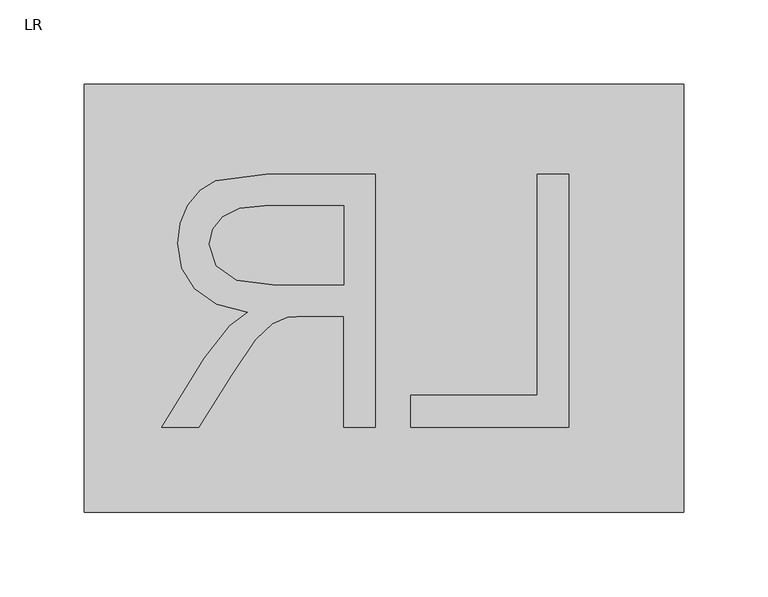
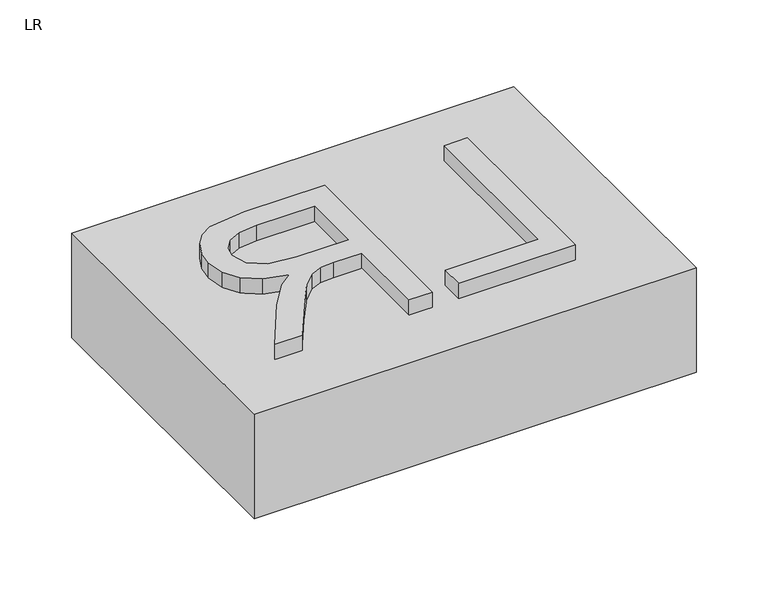
"""IFC4 building model written with IfcOpenShell, lengths in millimetres: switching device geometry, LR."""

import ifcopenshell
import ifcopenshell.guid

model = None  # the IFC model being written
_history = None  # IfcOwnerHistory: only IFC2X3 demands one
_inside = {}  # id of a spatial element -> (the spatial element, [elements in it])
_under = {}  # id of a project, library or spatial element -> (it, [spatial elements below it])
_declared = {}  # id of a project -> (the project, [libraries it declares])
_typed = {}  # id of a type object -> (the type object, [elements of that type])
_made_of = {}  # id of a material, layer set ... -> (it, [elements and type objects made of it])


def new_model(schema):
    """Start an empty IFC model of exactly this schema.

    Asked for "IFC4X3", IfcOpenShell would pick the latest addendum, in which some entities
    have other attributes; the version numbers below select the first issue.
    IFC2X3 requires an IfcOwnerHistory on every rooted entity: one is made here for all.
    """
    global model, _history
    if schema == "IFC4X3":
        model = ifcopenshell.file(schema_version=(4, 3, 0, 0))
    else:
        model = ifcopenshell.file(schema=schema)
    _inside.clear()
    _under.clear()
    _declared.clear()
    _typed.clear()
    _made_of.clear()
    _history = None
    if model.schema == "IFC2X3":
        org = make("IfcOrganization", Name="unknown")
        user = make(
            "IfcPersonAndOrganization",
            ThePerson=make("IfcPerson", FamilyName="unknown"),
            TheOrganization=org,
        )
        app = make(
            "IfcApplication",
            ApplicationDeveloper=org,
            Version="unknown",
            ApplicationFullName="unknown",
            ApplicationIdentifier="unknown",
        )
        _history = make(
            "IfcOwnerHistory",
            OwningUser=user,
            OwningApplication=app,
            ChangeAction="ADDED",
            CreationDate=0,
        )
    return model


def make(cls, **values):
    """One entity of the class cls with the attributes given. An attribute that is None is left unset."""
    return model.create_entity(
        cls, **{name: value for name, value in values.items() if value is not None}
    )


def rooted(cls, **values):
    """An entity with a GlobalId (a new one), such as an element, a storey or a relation."""
    return make(cls, GlobalId=ifcopenshell.guid.new(), OwnerHistory=_history, **values)


def si_unit(unit_type, name, prefix=None):
    """IfcSIUnit, for example si_unit("LENGTHUNIT", "METRE", prefix="MILLI")."""
    return make("IfcSIUnit", UnitType=unit_type, Prefix=prefix, Name=name)


def assignment(units):
    """IfcUnitAssignment: the units of a project."""
    return None if units is None else make("IfcUnitAssignment", Units=units)


def point(xyz):
    """IfcCartesianPoint."""
    return None if xyz is None else make("IfcCartesianPoint", Coordinates=xyz)


def direction(xyz):
    """IfcDirection."""
    return None if xyz is None else make("IfcDirection", DirectionRatios=xyz)


def frame(location, z_axis=None, x_axis=None):
    """IfcAxis2Placement3D, a coordinate frame: its origin and axes. An axis left out is left unset."""
    return make(
        "IfcAxis2Placement3D",
        Location=point(location),
        Axis=direction(z_axis),
        RefDirection=direction(x_axis),
    )


def origin():
    """The frame at (0, 0, 0) with its axes left unset."""
    return frame((0.0, 0.0, 0.0))


def origin_with_axes():
    """The frame at (0, 0, 0) with the z axis (0, 0, 1) and the x axis (1, 0, 0) written out."""
    return frame((0.0, 0.0, 0.0), z_axis=(0.0, 0.0, 1.0), x_axis=(1.0, 0.0, 0.0))


def place(relative_to, where):
    """IfcLocalPlacement: puts the frame where relative to a parent placement (None: the world)."""
    return make(
        "IfcLocalPlacement", PlacementRelTo=relative_to, RelativePlacement=where
    )


def context(
    kind, dimensions, precision=None, world=None, true_north=None, identifier=None
):
    """IfcGeometricRepresentationContext, for example the 3D "Model" context."""
    return make(
        "IfcGeometricRepresentationContext",
        ContextIdentifier=identifier,
        ContextType=kind,
        CoordinateSpaceDimension=dimensions,
        Precision=precision,
        WorldCoordinateSystem=world,
        TrueNorth=true_north,
    )


def project(units=None, contexts=None):
    """IfcProject with its units and contexts."""
    return rooted(
        "IfcProject",
        Name="project",
        RepresentationContexts=contexts,
        UnitsInContext=assignment(units),
    )


def spatial(cls, under=None, at=None, **own):
    """A site, building, storey or space (cls), placed at a placement, below another one or the project."""
    s = rooted(cls, ObjectPlacement=at, **own)
    if under is not None:
        _under.setdefault(under.id(), (under, []))[1].append(s)
    return s


def polyline(points):
    """IfcPolyline through the points."""
    return make("IfcPolyline", Points=[point(p) for p in points])


def outline(outer, holes=None, kind="AREA"):
    """IfcArbitraryClosedProfileDef: a profile drawn as a closed curve; with holes, ...WithVoids."""
    if holes is None:
        return make("IfcArbitraryClosedProfileDef", ProfileType=kind, OuterCurve=outer)
    return make(
        "IfcArbitraryProfileDefWithVoids",
        ProfileType=kind,
        OuterCurve=outer,
        InnerCurves=holes,
    )


def extrude(swept, where, along, depth):
    """IfcExtrudedAreaSolid: the profile swept, set in the frame where, extruded along a direction by depth."""
    return make(
        "IfcExtrudedAreaSolid",
        SweptArea=swept,
        Position=where,
        ExtrudedDirection=direction(along),
        Depth=depth,
    )


def shape(context_of_items, identifier, shape_type, items):
    """IfcShapeRepresentation: the items that make up one representation, for example the "Body"."""
    return make(
        "IfcShapeRepresentation",
        ContextOfItems=context_of_items,
        RepresentationIdentifier=identifier,
        RepresentationType=shape_type,
        Items=items,
    )


def source(mapping_origin, context_of_items, identifier, shape_type, items):
    """IfcRepresentationMap: a shape defined once, which mapped items show again and again."""
    return make(
        "IfcRepresentationMap",
        MappingOrigin=mapping_origin,
        MappedRepresentation=shape(context_of_items, identifier, shape_type, items),
    )


def transform(
    local_origin,
    x_axis=None,
    y_axis=None,
    z_axis=None,
    scale=None,
    scale2=None,
    scale3=None,
    uniform=True,
):
    """IfcCartesianTransformationOperator3D, or its non-uniform kind. x_axis, y_axis, z_axis: its Axis1, 2, 3."""
    if uniform:
        return make(
            "IfcCartesianTransformationOperator3D",
            Axis1=direction(x_axis),
            Axis2=direction(y_axis),
            LocalOrigin=point(local_origin),
            Scale=scale,
            Axis3=direction(z_axis),
        )
    return make(
        "IfcCartesianTransformationOperator3DnonUniform",
        Axis1=direction(x_axis),
        Axis2=direction(y_axis),
        LocalOrigin=point(local_origin),
        Scale=scale,
        Axis3=direction(z_axis),
        Scale2=scale2,
        Scale3=scale3,
    )


def mapped(mapping_source, mapping_target):
    """IfcMappedItem: shows the shape of a source again, moved by a transform."""
    return make(
        "IfcMappedItem", MappingSource=mapping_source, MappingTarget=mapping_target
    )


def made_of(thing, what):
    """Note that an element or type object is made of a material, layer set ...; save() writes the relation."""
    if what is not None:
        _made_of.setdefault(what.id(), (what, []))[1].append(thing)
    return thing


def element(
    cls,
    number,
    at=None,
    inside=None,
    cuts=None,
    type_object=None,
    material=None,
    context=None,
    identifier="Body",
    shape_type=None,
    held_by="IfcProductDefinitionShape",
    body=None,
    shapes=None,
    **own,
):
    """One element of the class cls, such as IfcWall. Its Tag is "e" and its number.

    at: its placement. inside: the storey or other place that contains it. cuts: it is an
    opening in that element (IfcRelVoidsElement). A single representation is given by context,
    identifier, shape_type and body (its items); several are given by shapes. held_by: the class
    of the entity that holds the representations. save() writes the other relations.
    """
    e = rooted(cls, Tag="e%d" % number, ObjectPlacement=at, **own)
    if body is not None:
        shapes = [shape(context, identifier, shape_type, body)]
    if shapes is not None:
        e.Representation = make(held_by, Representations=shapes)
    if inside is not None:
        _inside.setdefault(inside.id(), (inside, []))[1].append(e)
    if cuts is not None:
        rooted(
            "IfcRelVoidsElement", RelatingBuildingElement=cuts, RelatedOpeningElement=e
        )
    if type_object is not None:
        _typed.setdefault(type_object.id(), (type_object, []))[1].append(e)
    return made_of(e, material)


def aggregate(whole, parts):
    """IfcRelAggregates: a whole, such as a stair, and the parts it consists of."""
    return rooted("IfcRelAggregates", RelatingObject=whole, RelatedObjects=parts)


def save(model, path):
    """Write the relations noted so far, then the file.

    IfcRelAggregates (storeys below a building ...), IfcRelContainedInSpatialStructure (elements
    in a storey), IfcRelDefinesByType, IfcRelAssociatesMaterial and IfcRelDeclares: one each for
    every whole, place, type object, material and project.
    """
    for whole, parts in _under.values():
        aggregate(whole, parts)
    for where, things in _inside.values():
        rooted(
            "IfcRelContainedInSpatialStructure",
            RelatedElements=things,
            RelatingStructure=where,
        )
    for kind, things in _typed.values():
        rooted("IfcRelDefinesByType", RelatedObjects=things, RelatingType=kind)
    for what, things in _made_of.values():
        rooted("IfcRelAssociatesMaterial", RelatedObjects=things, RelatingMaterial=what)
    for by, libraries in _declared.values():
        rooted("IfcRelDeclares", RelatingContext=by, RelatedDefinitions=libraries)
    model.write(path)


def lr_9f6f0a0f(model_context):
    return source(origin(), model_context, "Body", "SweptSolid", [
        extrude(outline(polyline([(204.919389, -312.4369702), (111.1347736, -312.4369702), (111.1347736, -293.6800471), (186.1624659, -293.6800471), (186.1624659, -162.3815856), (204.919389, -162.3815856), (204.919389, -312.4369702)])), origin_with_axes(), (0.0, 0.0, 1.0), 101.6),
        extrude(outline(polyline([(90.0332352, -312.4369702), (71.2763121, -312.4369702), (71.2763121, -246.7877394), (48.6361198, -246.7877394), (37.755639, -247.4471625), (28.8351102, -251.0190375), (18.9254467, -260.7455279), (4.8211198, -281.3341817), (-14.7051302, -312.4369702), (-36.5027264, -312.4369702), (-11.4812841, -271.7725471), (3.7220813, -252.4661048), (14.3827544, -244.443124), (-4.0948297, -239.469975), (-17.0314283, -230.4853356), (-24.6560076, -218.2310567), (-27.1975341, -203.4489894), (-25.6634595, -191.565636), (-21.061236, -180.7538452), (-13.89001, -172.0348067), (-4.6489283, -166.4297106), (25.373139, -162.3815856), (90.0332352, -162.3815856), (90.0332352, -312.4369702)]), holes=[polyline([(71.2763121, -228.0308163), (71.2763121, -181.1385086), (24.5671775, -181.1385086), (9.7255789, -182.7595904), (-0.5092167, -187.6228356), (-6.4577624, -194.9955519), (-8.440611, -204.1450471), (-4.2825821, -216.8755759), (7.8801102, -225.3748067), (29.2930429, -228.0308163), (71.2763121, -228.0308163)])]), origin_with_axes(), (0.0, 0.0, 1.0), 101.6),
        extrude(outline(polyline([(273.0594706, -109.1056703), (273.0594706, -363.1056703), (-82.5405294, -363.1056703), (-82.5405294, -109.1056703), (273.0594706, -109.1056703)])), origin_with_axes(), (0.0, 0.0, 1.0), 88.9),
    ])


if __name__ == "__main__":
    model = new_model("IFC4")
    model_context = context("Model", 3, world=origin())
    ifc_project = project(units=[si_unit("LENGTHUNIT", "METRE", prefix="MILLI")], contexts=[model_context])
    site = spatial("IfcSite", under=ifc_project)
    building = spatial("IfcBuilding", under=site)
    placement = place(None, origin())
    lr_shape = lr_9f6f0a0f(model_context)
    element("IfcSwitchingDevice", 1, ObjectType="LR", at=placement, inside=building, context=model_context, shape_type="MappedRepresentation", body=[
        mapped(lr_shape, transform((0.0, 0.0, 0.0), x_axis=(1.0, 0.0, 0.0), y_axis=(0.0, 1.0, 0.0), z_axis=(0.0, 0.0, 1.0))),
    ])
    save(model, "model.ifc")
